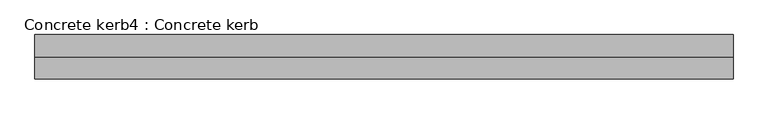
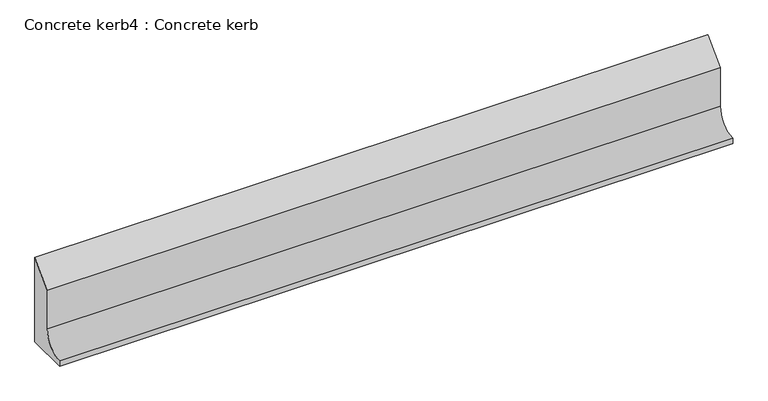
"""IFC4 building model written with IfcOpenShell, lengths in millimetres: proxy geometry, Concrete kerb4 : Concrete kerb."""

from ifc_helpers import new_model, si_unit, point, frame, frame_2d, origin, place, context, project, spatial, polyline, circle_curve, trimmed, segment, composite_curve, outline, extrude, source, transform, mapped, element, save


def concrete_kerb4_concrete_kerb_f852a49e(model_context):
    return source(origin(), model_context, "Body", "SweptSolid", [
        extrude(outline(composite_curve([segment(polyline([(-8917.3538557, 297.0), (-8917.3538557, -20.0482875), (-9069.3538557, -20.0482875), (-9069.3538557, 0.0)]), True, "CONTINUOUS"), segment(trimmed(circle_curve(frame_2d((-9069.3538557, 75.0)), 75.0), [point((-9069.3538557, 0.0))], [point((-8994.3538557, 75.0))], True, "CARTESIAN"), True, "CONTINUOUS"), segment(polyline([(-8994.3538557, 75.0), (-8994.3538557, 220.0), (-8917.3538557, 297.0)]), True, "CONTINUOUS")], self_intersect=False)), frame((6904.6309284, 0.0, 0.0), z_axis=(1.0, 0.0, 0.0), x_axis=(0.0, 1.0, 0.0)), (0.0, 0.0, 1.0), 2400.0),
    ])


if __name__ == "__main__":
    model = new_model("IFC4")
    model_context = context("Model", 3, world=origin())
    ifc_project = project(units=[si_unit("LENGTHUNIT", "METRE", prefix="MILLI")], contexts=[model_context])
    site = spatial("IfcSite", under=ifc_project)
    building = spatial("IfcBuilding", under=site)
    placement = place(None, origin())
    concrete_kerb4_concrete_kerb_shape = concrete_kerb4_concrete_kerb_f852a49e(model_context)
    element("IfcBuildingElementProxy", 1, Name="Concrete kerb4 : Concrete kerb", ObjectType="Concrete kerb4 : Concrete kerb", at=placement, inside=building, context=model_context, shape_type="MappedRepresentation", body=[
        mapped(concrete_kerb4_concrete_kerb_shape, transform((0.0, 0.0, 0.0), x_axis=(1.0, 0.0, 0.0), y_axis=(0.0, 1.0, 0.0), z_axis=(0.0, 0.0, 1.0))),
    ])
    save(model, "model.ifc")
